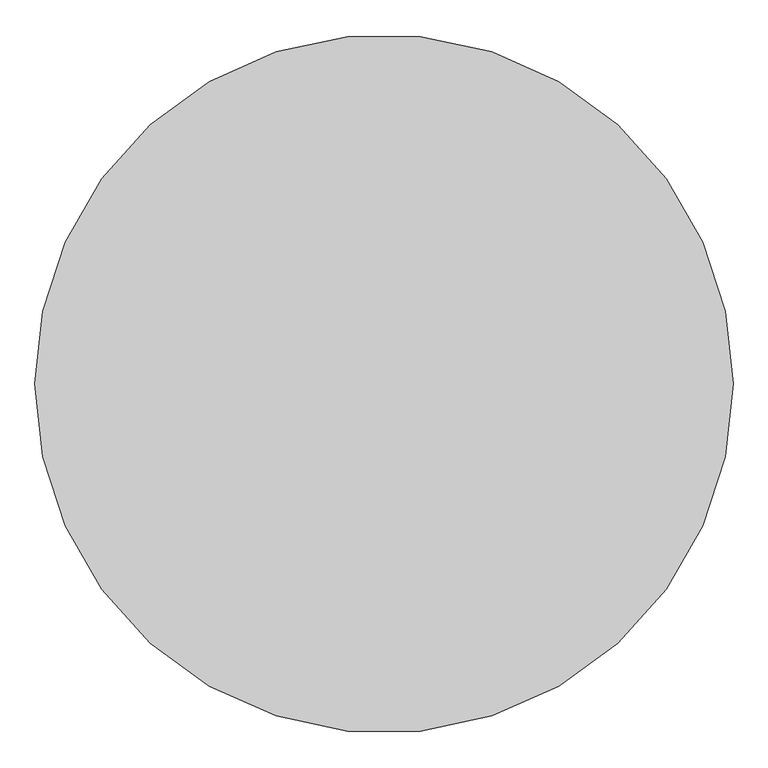
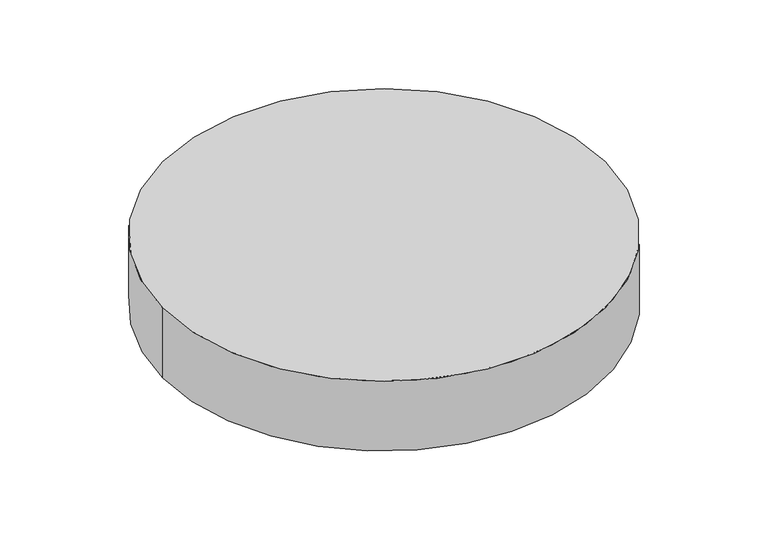
"""IFC4 building model written with IfcOpenShell, lengths in millimetres: proxy geometry."""

from ifc_helpers import new_model, si_unit, point, origin, origin_with_axes, origin_2d, place, context, project, spatial, circle_curve, trimmed, segment, composite_curve, outline, extrude, source, transform, mapped, element, save


def generic_models_5037fe46(model_context):
    return source(origin(), model_context, "Body", "SweptSolid", [
        extrude(outline(composite_curve([segment(trimmed(circle_curve(origin_2d(), 1500.0), [point((-1500.0, 0.0))], [point((1500.0, 0.0))], False, "CARTESIAN"), True, "CONTINUOUS"), segment(trimmed(circle_curve(origin_2d(), 1500.0), [point((1500.0, 0.0))], [point((-1500.0, 0.0))], False, "CARTESIAN"), True, "CONTINUOUS")], self_intersect=False)), origin_with_axes(), (0.0, 0.0, 1.0), 500.0),
    ])


if __name__ == "__main__":
    model = new_model("IFC4")
    model_context = context("Model", 3, world=origin())
    ifc_project = project(units=[si_unit("LENGTHUNIT", "METRE", prefix="MILLI")], contexts=[model_context])
    site = spatial("IfcSite", under=ifc_project)
    building = spatial("IfcBuilding", under=site)
    placement = place(None, origin())
    generic_models_shape = generic_models_5037fe46(model_context)
    element("IfcBuildingElementProxy", 1, Name="Generic Models", at=placement, inside=building, context=model_context, shape_type="MappedRepresentation", body=[
        mapped(generic_models_shape, transform((0.0, 0.0, 0.0), x_axis=(1.0, 0.0, 0.0), y_axis=(0.0, 1.0, 0.0), z_axis=(0.0, 0.0, 1.0))),
    ])
    save(model, "model.ifc")
